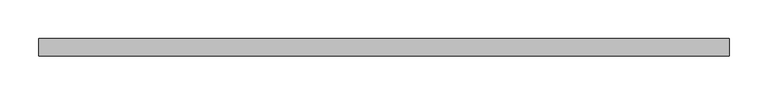
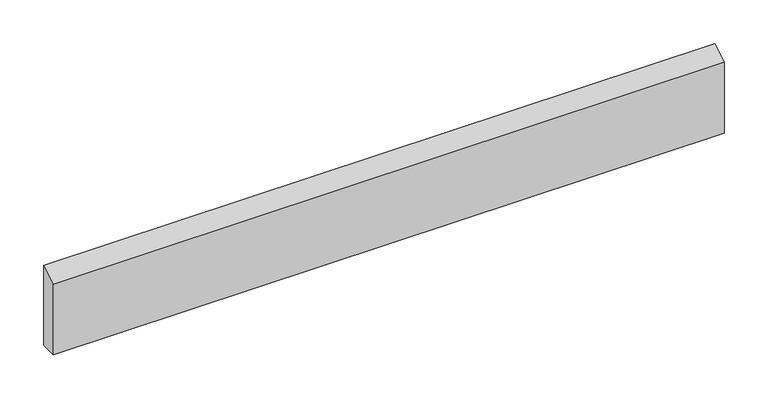
"""IFC4 building model written with IfcOpenShell, lengths in millimetres: beam geometry."""

from ifc_helpers import new_model, si_unit, frame, origin, place, context, project, spatial, polyline, outline, extrude, source, transform, mapped, element, save


def beam_8652f741(model_context):
    return source(origin(), model_context, "Body", "SweptSolid", [
        extrude(outline(polyline([(11.0, 68.6333333), (11.0, -42.9666667), (-11.0, -42.9666667), (-11.0, 55.8), (11.0, 68.6333333)])), frame((-442.7794373, 0.0, 0.0), z_axis=(1.0, 0.0, 0.0), x_axis=(0.0, 1.0, 0.0)), (0.0, 0.0, 1.0), 885.5588745),
    ])


if __name__ == "__main__":
    model = new_model("IFC4")
    model_context = context("Model", 3, world=origin())
    ifc_project = project(units=[si_unit("LENGTHUNIT", "METRE", prefix="MILLI")], contexts=[model_context])
    site = spatial("IfcSite", under=ifc_project)
    building = spatial("IfcBuilding", under=site)
    placement = place(None, origin())
    beam_shape = beam_8652f741(model_context)
    element("IfcBeam", 1, at=placement, inside=building, context=model_context, shape_type="MappedRepresentation", body=[
        mapped(beam_shape, transform((0.0, 0.0, 0.0), x_axis=(1.0, 0.0, 0.0), y_axis=(0.0, 1.0, 0.0), z_axis=(0.0, 0.0, 1.0))),
    ])
    save(model, "model.ifc")
